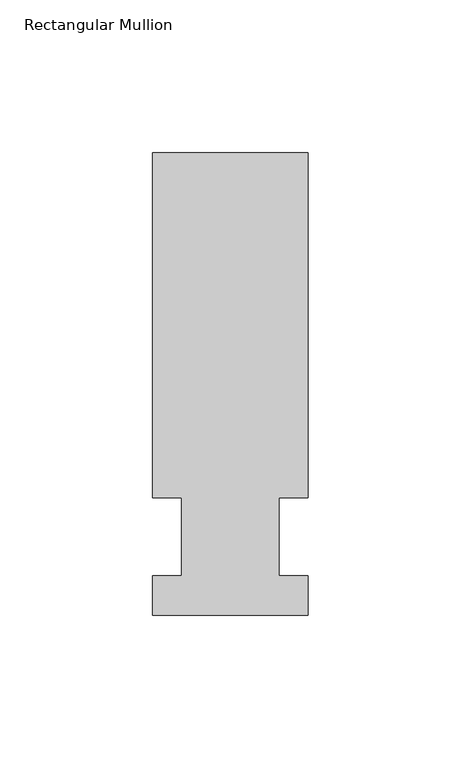
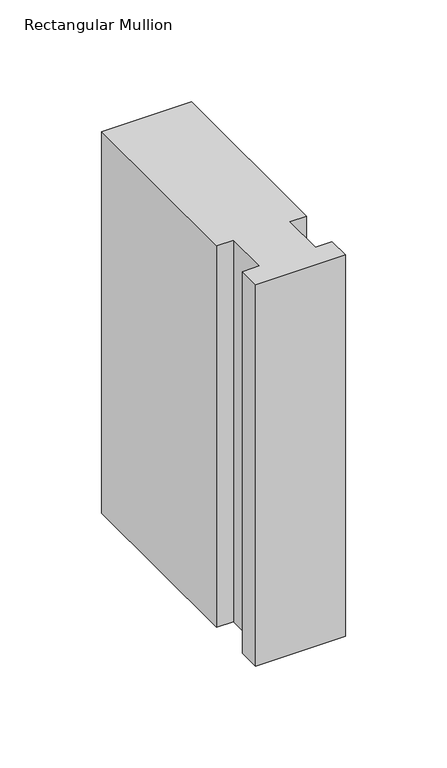
"""IFC4 building model written with IfcOpenShell, lengths in millimetres: member geometry, Rectangular Mullion."""

import ifcopenshell
import ifcopenshell.guid

model = None  # the IFC model being written
_history = None  # IfcOwnerHistory: only IFC2X3 demands one
_inside = {}  # id of a spatial element -> (the spatial element, [elements in it])
_under = {}  # id of a project, library or spatial element -> (it, [spatial elements below it])
_declared = {}  # id of a project -> (the project, [libraries it declares])
_typed = {}  # id of a type object -> (the type object, [elements of that type])
_made_of = {}  # id of a material, layer set ... -> (it, [elements and type objects made of it])


def new_model(schema):
    """Start an empty IFC model of exactly this schema.

    Asked for "IFC4X3", IfcOpenShell would pick the latest addendum, in which some entities
    have other attributes; the version numbers below select the first issue.
    IFC2X3 requires an IfcOwnerHistory on every rooted entity: one is made here for all.
    """
    global model, _history
    if schema == "IFC4X3":
        model = ifcopenshell.file(schema_version=(4, 3, 0, 0))
    else:
        model = ifcopenshell.file(schema=schema)
    _inside.clear()
    _under.clear()
    _declared.clear()
    _typed.clear()
    _made_of.clear()
    _history = None
    if model.schema == "IFC2X3":
        org = make("IfcOrganization", Name="unknown")
        user = make(
            "IfcPersonAndOrganization",
            ThePerson=make("IfcPerson", FamilyName="unknown"),
            TheOrganization=org,
        )
        app = make(
            "IfcApplication",
            ApplicationDeveloper=org,
            Version="unknown",
            ApplicationFullName="unknown",
            ApplicationIdentifier="unknown",
        )
        _history = make(
            "IfcOwnerHistory",
            OwningUser=user,
            OwningApplication=app,
            ChangeAction="ADDED",
            CreationDate=0,
        )
    return model


def make(cls, **values):
    """One entity of the class cls with the attributes given. An attribute that is None is left unset."""
    return model.create_entity(
        cls, **{name: value for name, value in values.items() if value is not None}
    )


def rooted(cls, **values):
    """An entity with a GlobalId (a new one), such as an element, a storey or a relation."""
    return make(cls, GlobalId=ifcopenshell.guid.new(), OwnerHistory=_history, **values)


def si_unit(unit_type, name, prefix=None):
    """IfcSIUnit, for example si_unit("LENGTHUNIT", "METRE", prefix="MILLI")."""
    return make("IfcSIUnit", UnitType=unit_type, Prefix=prefix, Name=name)


def assignment(units):
    """IfcUnitAssignment: the units of a project."""
    return None if units is None else make("IfcUnitAssignment", Units=units)


def point(xyz):
    """IfcCartesianPoint."""
    return None if xyz is None else make("IfcCartesianPoint", Coordinates=xyz)


def direction(xyz):
    """IfcDirection."""
    return None if xyz is None else make("IfcDirection", DirectionRatios=xyz)


def frame(location, z_axis=None, x_axis=None):
    """IfcAxis2Placement3D, a coordinate frame: its origin and axes. An axis left out is left unset."""
    return make(
        "IfcAxis2Placement3D",
        Location=point(location),
        Axis=direction(z_axis),
        RefDirection=direction(x_axis),
    )


def origin():
    """The frame at (0, 0, 0) with its axes left unset."""
    return frame((0.0, 0.0, 0.0))


def place(relative_to, where):
    """IfcLocalPlacement: puts the frame where relative to a parent placement (None: the world)."""
    return make(
        "IfcLocalPlacement", PlacementRelTo=relative_to, RelativePlacement=where
    )


def context(
    kind, dimensions, precision=None, world=None, true_north=None, identifier=None
):
    """IfcGeometricRepresentationContext, for example the 3D "Model" context."""
    return make(
        "IfcGeometricRepresentationContext",
        ContextIdentifier=identifier,
        ContextType=kind,
        CoordinateSpaceDimension=dimensions,
        Precision=precision,
        WorldCoordinateSystem=world,
        TrueNorth=true_north,
    )


def project(units=None, contexts=None):
    """IfcProject with its units and contexts."""
    return rooted(
        "IfcProject",
        Name="project",
        RepresentationContexts=contexts,
        UnitsInContext=assignment(units),
    )


def spatial(cls, under=None, at=None, **own):
    """A site, building, storey or space (cls), placed at a placement, below another one or the project."""
    s = rooted(cls, ObjectPlacement=at, **own)
    if under is not None:
        _under.setdefault(under.id(), (under, []))[1].append(s)
    return s


def polyline(points):
    """IfcPolyline through the points."""
    return make("IfcPolyline", Points=[point(p) for p in points])


def outline(outer, holes=None, kind="AREA"):
    """IfcArbitraryClosedProfileDef: a profile drawn as a closed curve; with holes, ...WithVoids."""
    if holes is None:
        return make("IfcArbitraryClosedProfileDef", ProfileType=kind, OuterCurve=outer)
    return make(
        "IfcArbitraryProfileDefWithVoids",
        ProfileType=kind,
        OuterCurve=outer,
        InnerCurves=holes,
    )


def extrude(swept, where, along, depth):
    """IfcExtrudedAreaSolid: the profile swept, set in the frame where, extruded along a direction by depth."""
    return make(
        "IfcExtrudedAreaSolid",
        SweptArea=swept,
        Position=where,
        ExtrudedDirection=direction(along),
        Depth=depth,
    )


def shape(context_of_items, identifier, shape_type, items):
    """IfcShapeRepresentation: the items that make up one representation, for example the "Body"."""
    return make(
        "IfcShapeRepresentation",
        ContextOfItems=context_of_items,
        RepresentationIdentifier=identifier,
        RepresentationType=shape_type,
        Items=items,
    )


def source(mapping_origin, context_of_items, identifier, shape_type, items):
    """IfcRepresentationMap: a shape defined once, which mapped items show again and again."""
    return make(
        "IfcRepresentationMap",
        MappingOrigin=mapping_origin,
        MappedRepresentation=shape(context_of_items, identifier, shape_type, items),
    )


def transform(
    local_origin,
    x_axis=None,
    y_axis=None,
    z_axis=None,
    scale=None,
    scale2=None,
    scale3=None,
    uniform=True,
):
    """IfcCartesianTransformationOperator3D, or its non-uniform kind. x_axis, y_axis, z_axis: its Axis1, 2, 3."""
    if uniform:
        return make(
            "IfcCartesianTransformationOperator3D",
            Axis1=direction(x_axis),
            Axis2=direction(y_axis),
            LocalOrigin=point(local_origin),
            Scale=scale,
            Axis3=direction(z_axis),
        )
    return make(
        "IfcCartesianTransformationOperator3DnonUniform",
        Axis1=direction(x_axis),
        Axis2=direction(y_axis),
        LocalOrigin=point(local_origin),
        Scale=scale,
        Axis3=direction(z_axis),
        Scale2=scale2,
        Scale3=scale3,
    )


def mapped(mapping_source, mapping_target):
    """IfcMappedItem: shows the shape of a source again, moved by a transform."""
    return make(
        "IfcMappedItem", MappingSource=mapping_source, MappingTarget=mapping_target
    )


def made_of(thing, what):
    """Note that an element or type object is made of a material, layer set ...; save() writes the relation."""
    if what is not None:
        _made_of.setdefault(what.id(), (what, []))[1].append(thing)
    return thing


def element(
    cls,
    number,
    at=None,
    inside=None,
    cuts=None,
    type_object=None,
    material=None,
    context=None,
    identifier="Body",
    shape_type=None,
    held_by="IfcProductDefinitionShape",
    body=None,
    shapes=None,
    **own,
):
    """One element of the class cls, such as IfcWall. Its Tag is "e" and its number.

    at: its placement. inside: the storey or other place that contains it. cuts: it is an
    opening in that element (IfcRelVoidsElement). A single representation is given by context,
    identifier, shape_type and body (its items); several are given by shapes. held_by: the class
    of the entity that holds the representations. save() writes the other relations.
    """
    e = rooted(cls, Tag="e%d" % number, ObjectPlacement=at, **own)
    if body is not None:
        shapes = [shape(context, identifier, shape_type, body)]
    if shapes is not None:
        e.Representation = make(held_by, Representations=shapes)
    if inside is not None:
        _inside.setdefault(inside.id(), (inside, []))[1].append(e)
    if cuts is not None:
        rooted(
            "IfcRelVoidsElement", RelatingBuildingElement=cuts, RelatedOpeningElement=e
        )
    if type_object is not None:
        _typed.setdefault(type_object.id(), (type_object, []))[1].append(e)
    return made_of(e, material)


def aggregate(whole, parts):
    """IfcRelAggregates: a whole, such as a stair, and the parts it consists of."""
    return rooted("IfcRelAggregates", RelatingObject=whole, RelatedObjects=parts)


def save(model, path):
    """Write the relations noted so far, then the file.

    IfcRelAggregates (storeys below a building ...), IfcRelContainedInSpatialStructure (elements
    in a storey), IfcRelDefinesByType, IfcRelAssociatesMaterial and IfcRelDeclares: one each for
    every whole, place, type object, material and project.
    """
    for whole, parts in _under.values():
        aggregate(whole, parts)
    for where, things in _inside.values():
        rooted(
            "IfcRelContainedInSpatialStructure",
            RelatedElements=things,
            RelatingStructure=where,
        )
    for kind, things in _typed.values():
        rooted("IfcRelDefinesByType", RelatedObjects=things, RelatingType=kind)
    for what, things in _made_of.values():
        rooted("IfcRelAssociatesMaterial", RelatedObjects=things, RelatingMaterial=what)
    for by, libraries in _declared.values():
        rooted("IfcRelDeclares", RelatingContext=by, RelatedDefinitions=libraries)
    model.write(path)


def rectangular_mullion_1293e9c4(model_context):
    return source(origin(), model_context, "Body", "SweptSolid", [
        extrude(outline(polyline([(-25.4, -25.58415), (-25.4, -12.7), (-15.875, -12.7), (-15.875, 12.7), (-25.4, 12.7), (-25.4, 125.59665), (25.4, 125.59665), (25.4, 12.7), (15.875, 12.7), (15.875, -12.7), (25.4, -12.7), (25.4, -25.58415), (-25.4, -25.58415)])), frame((0.0, 0.0, -228.6), z_axis=(0.0, 0.0, 1.0), x_axis=(1.0, 0.0, 0.0)), (0.0, 0.0, 1.0), 228.6),
    ])


if __name__ == "__main__":
    model = new_model("IFC4")
    model_context = context("Model", 3, world=origin())
    ifc_project = project(units=[si_unit("LENGTHUNIT", "METRE", prefix="MILLI")], contexts=[model_context])
    site = spatial("IfcSite", under=ifc_project)
    building = spatial("IfcBuilding", under=site)
    placement = place(None, origin())
    rectangular_mullion_shape = rectangular_mullion_1293e9c4(model_context)
    element("IfcMember", 1, ObjectType="Rectangular Mullion", at=placement, inside=building, context=model_context, shape_type="MappedRepresentation", body=[
        mapped(rectangular_mullion_shape, transform((0.0, 0.0, 0.0), x_axis=(1.0, 0.0, 0.0), y_axis=(0.0, 1.0, 0.0), z_axis=(0.0, 0.0, 1.0))),
    ])
    save(model, "model.ifc")
